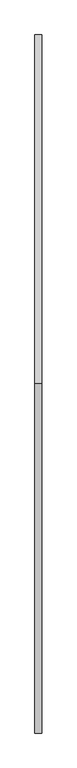
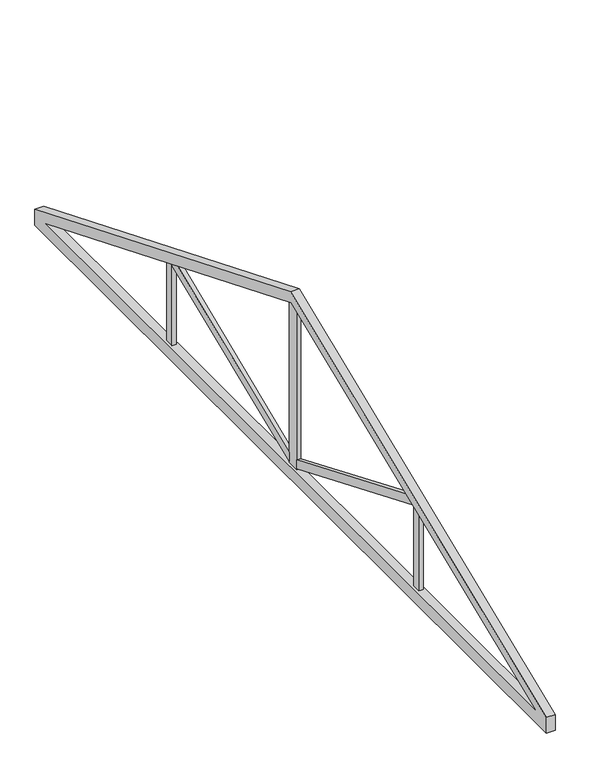
"""IFC4 building model written with IfcOpenShell, lengths in millimetres: beam geometry."""

from ifc_helpers import new_model, si_unit, frame, origin, place, context, project, spatial, polyline, outline, extrude, source, transform, mapped, element, save


def beam_322191eb(model_context):
    return source(origin(), model_context, "Body", "SweptSolid", [
        extrude(outline(polyline([(3750.0, 2270.0), (8830.0, 189.646786), (8830.0, 0.0), (-1330.0, 0.0), (-1330.0, 189.646786), (3750.0, 2270.0)]), holes=[polyline([(3750.0, 2140.3275048), (-1110.1668487, 150.0), (8610.1668487, 150.0), (3750.0, 2140.3275048)])]), frame((-50.0, 0.0, 0.0), z_axis=(1.0, 0.0, 0.0), x_axis=(0.0, 1.0, 0.0)), (0.0, 0.0, 1.0), 100.0),
        extrude(outline(polyline([(3675.0, 267.7283241), (3675.0, 159.3845501), (1349.5472527, 1128.9542843), (1349.5472527, 1157.2980583), (1446.3460675, 1196.9389492), (3675.0, 267.7283241)])), frame((-25.0, 0.0, 0.0), z_axis=(1.0, 0.0, 0.0), x_axis=(0.0, 1.0, 0.0)), (0.0, 0.0, 1.0), 50.0),
        extrude(outline(polyline([(3825.0, 267.7283241), (6053.6539325, 1196.9389492), (6150.4527473, 1157.2980583), (6150.4527473, 1128.9542843), (3825.0, 159.3845501), (3825.0, 267.7283241)])), frame((-25.0, 0.0, 0.0), z_axis=(1.0, 0.0, 0.0), x_axis=(0.0, 1.0, 0.0)), (0.0, 0.0, 1.0), 50.0),
        extrude(outline(polyline([(3675.0, 2109.6136286), (3750.0, 2140.3275048), (3825.0, 2109.6136286), (3825.0, 150.0), (3675.0, 150.0), (3675.0, 2109.6136286)])), frame((-25.0, 0.0, 0.0), z_axis=(1.0, 0.0, 0.0), x_axis=(0.0, 1.0, 0.0)), (0.0, 0.0, 1.0), 50.0),
        extrude(outline(polyline([(1349.5472527, 1157.2980583), (1349.5472527, 150.0), (1249.5472527, 150.0), (1249.5472527, 1116.3462234), (1349.5472527, 1157.2980583)])), frame((-25.0, 0.0, 0.0), z_axis=(1.0, 0.0, 0.0), x_axis=(0.0, 1.0, 0.0)), (0.0, 0.0, 1.0), 50.0),
        extrude(outline(polyline([(6150.4527473, 1157.2980583), (6250.4527473, 1116.3462234), (6250.4527473, 150.0), (6150.4527473, 150.0), (6150.4527473, 1157.2980583)])), frame((-25.0, 0.0, 0.0), z_axis=(1.0, 0.0, 0.0), x_axis=(0.0, 1.0, 0.0)), (0.0, 0.0, 1.0), 50.0),
    ])


if __name__ == "__main__":
    model = new_model("IFC4")
    model_context = context("Model", 3, world=origin())
    ifc_project = project(units=[si_unit("LENGTHUNIT", "METRE", prefix="MILLI")], contexts=[model_context])
    site = spatial("IfcSite", under=ifc_project)
    building = spatial("IfcBuilding", under=site)
    placement = place(None, origin())
    beam_shape = beam_322191eb(model_context)
    element("IfcBeam", 1, at=placement, inside=building, context=model_context, shape_type="MappedRepresentation", body=[
        mapped(beam_shape, transform((0.0, 0.0, 0.0), x_axis=(1.0, 0.0, 0.0), y_axis=(0.0, 1.0, 0.0), z_axis=(0.0, 0.0, 1.0))),
    ])
    save(model, "model.ifc")
